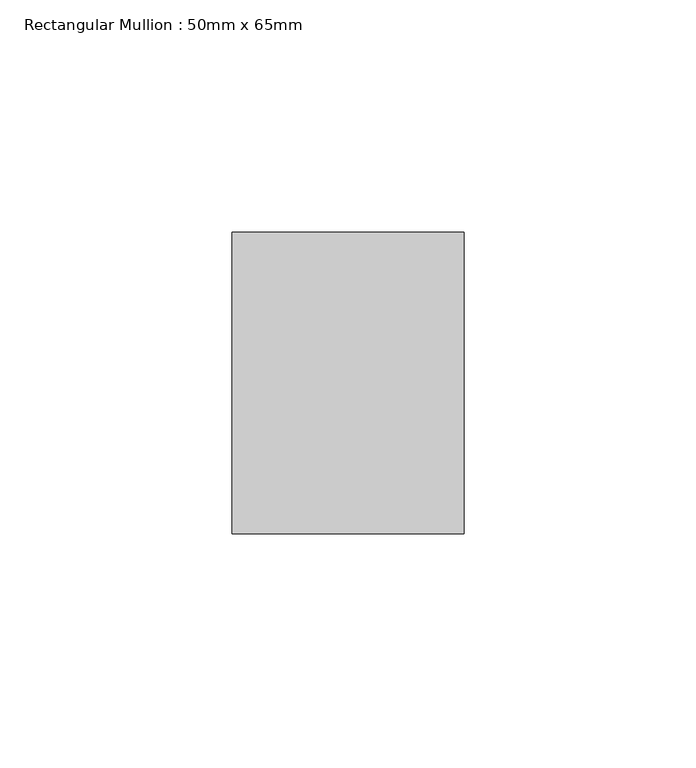
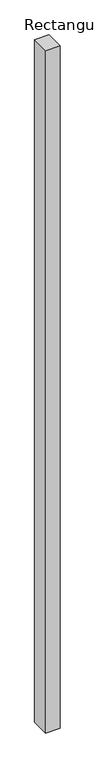
"""IFC4 building model written with IfcOpenShell, lengths in millimetres: member geometry, Rectangular Mullion : 50mm x 65mm."""

from ifc_helpers import new_model, si_unit, frame, origin, place, context, project, spatial, polyline, outline, extrude, source, transform, mapped, element, save


def rectangular_mullion_50mm_x_65mm_bd9ab357(model_context):
    return source(origin(), model_context, "Body", "SweptSolid", [
        extrude(outline(polyline([(25.0, 32.5), (25.0, -32.5), (-25.0, -32.5), (-25.0, 32.5), (25.0, 32.5)])), frame((0.0, 0.0, -2478.0263962), z_axis=(0.0, 0.0, 1.0), x_axis=(1.0, 0.0, 0.0)), (0.0, 0.0, 1.0), 2478.0263962),
    ])


if __name__ == "__main__":
    model = new_model("IFC4")
    model_context = context("Model", 3, world=origin())
    ifc_project = project(units=[si_unit("LENGTHUNIT", "METRE", prefix="MILLI")], contexts=[model_context])
    site = spatial("IfcSite", under=ifc_project)
    building = spatial("IfcBuilding", under=site)
    placement = place(None, origin())
    rectangular_mullion_50mm_x_65mm_shape = rectangular_mullion_50mm_x_65mm_bd9ab357(model_context)
    element("IfcMember", 1, ObjectType="Rectangular Mullion : 50mm x 65mm", at=placement, inside=building, context=model_context, shape_type="MappedRepresentation", body=[
        mapped(rectangular_mullion_50mm_x_65mm_shape, transform((0.0, 0.0, 0.0), x_axis=(1.0, 0.0, 0.0), y_axis=(0.0, 1.0, 0.0), z_axis=(0.0, 0.0, 1.0))),
    ])
    save(model, "model.ifc")
